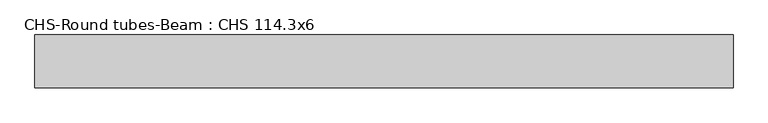
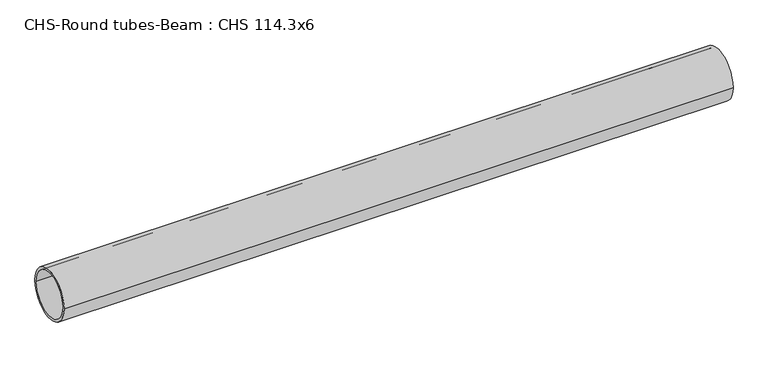
"""IFC4 building model written with IfcOpenShell, lengths in millimetres: beam geometry, CHS-Round tubes-Beam : CHS 114.3x6."""

from ifc_helpers import new_model, si_unit, point, frame, origin, origin_2d, place, context, project, spatial, circle_curve, trimmed, segment, composite_curve, outline, extrude, source, transform, mapped, element, save


def chs_round_tubes_beam_chs_114_3x6_1481cdef(model_context):
    return source(origin(), model_context, "Body", "SweptSolid", [
        extrude(outline(composite_curve([segment(trimmed(circle_curve(origin_2d(), 57.15), [point((57.15, 0.0))], [point((-57.15, 0.0))], False, "CARTESIAN"), True, "CONTINUOUS"), segment(trimmed(circle_curve(origin_2d(), 57.15), [point((-57.15, 0.0))], [point((57.15, 0.0))], False, "CARTESIAN"), True, "CONTINUOUS")], self_intersect=False), holes=[composite_curve([segment(trimmed(circle_curve(origin_2d(), 51.15), [point((51.15, 0.0))], [point((-51.15, 0.0))], True, "CARTESIAN"), True, "CONTINUOUS"), segment(trimmed(circle_curve(origin_2d(), 51.15), [point((-51.15, 0.0))], [point((51.15, 0.0))], True, "CARTESIAN"), True, "CONTINUOUS")], self_intersect=False)]), frame((-749.3385702, 0.0, 0.0), z_axis=(1.0, 0.0, 0.0), x_axis=(0.0, 1.0, 0.0)), (0.0, 0.0, 1.0), 1514.7337454),
    ])


if __name__ == "__main__":
    model = new_model("IFC4")
    model_context = context("Model", 3, world=origin())
    ifc_project = project(units=[si_unit("LENGTHUNIT", "METRE", prefix="MILLI")], contexts=[model_context])
    site = spatial("IfcSite", under=ifc_project)
    building = spatial("IfcBuilding", under=site)
    placement = place(None, origin())
    chs_round_tubes_beam_chs_114_3x6_shape = chs_round_tubes_beam_chs_114_3x6_1481cdef(model_context)
    element("IfcBeam", 1, ObjectType="CHS-Round tubes-Beam : CHS 114.3x6", at=placement, inside=building, context=model_context, shape_type="MappedRepresentation", body=[
        mapped(chs_round_tubes_beam_chs_114_3x6_shape, transform((0.0, 0.0, 0.0), x_axis=(1.0, 0.0, 0.0), y_axis=(0.0, 1.0, 0.0), z_axis=(0.0, 0.0, 1.0))),
    ])
    save(model, "model.ifc")
